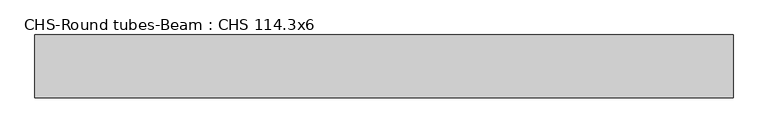
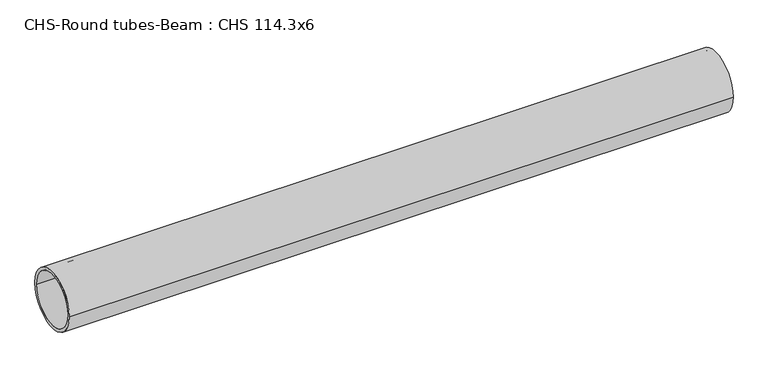
"""IFC4 building model written with IfcOpenShell, lengths in millimetres: beam geometry, CHS-Round tubes-Beam : CHS 114.3x6."""

from ifc_helpers import new_model, si_unit, point, frame, origin, origin_2d, place, context, project, spatial, circle_curve, trimmed, segment, composite_curve, outline, extrude, source, transform, mapped, element, save


def chs_round_tubes_beam_chs_114_3x6_76363963(model_context):
    return source(origin(), model_context, "Body", "SweptSolid", [
        extrude(outline(composite_curve([segment(trimmed(circle_curve(origin_2d(), 57.15), [point((57.15, 0.0))], [point((-57.15, 0.0))], False, "CARTESIAN"), True, "CONTINUOUS"), segment(trimmed(circle_curve(origin_2d(), 57.15), [point((-57.15, 0.0))], [point((57.15, 0.0))], False, "CARTESIAN"), True, "CONTINUOUS")], self_intersect=False), holes=[composite_curve([segment(trimmed(circle_curve(origin_2d(), 51.15), [point((51.15, 0.0))], [point((-51.15, 0.0))], True, "CARTESIAN"), True, "CONTINUOUS"), segment(trimmed(circle_curve(origin_2d(), 51.15), [point((-51.15, 0.0))], [point((51.15, 0.0))], True, "CARTESIAN"), True, "CONTINUOUS")], self_intersect=False)]), frame((-633.2521869, 0.0, 0.0), z_axis=(1.0, 0.0, 0.0), x_axis=(0.0, 1.0, 0.0)), (0.0, 0.0, 1.0), 1272.8359779),
    ])


if __name__ == "__main__":
    model = new_model("IFC4")
    model_context = context("Model", 3, world=origin())
    ifc_project = project(units=[si_unit("LENGTHUNIT", "METRE", prefix="MILLI")], contexts=[model_context])
    site = spatial("IfcSite", under=ifc_project)
    building = spatial("IfcBuilding", under=site)
    placement = place(None, origin())
    chs_round_tubes_beam_chs_114_3x6_shape = chs_round_tubes_beam_chs_114_3x6_76363963(model_context)
    element("IfcBeam", 1, ObjectType="CHS-Round tubes-Beam : CHS 114.3x6", at=placement, inside=building, context=model_context, shape_type="MappedRepresentation", body=[
        mapped(chs_round_tubes_beam_chs_114_3x6_shape, transform((0.0, 0.0, 0.0), x_axis=(1.0, 0.0, 0.0), y_axis=(0.0, 1.0, 0.0), z_axis=(0.0, 0.0, 1.0))),
    ])
    save(model, "model.ifc")
